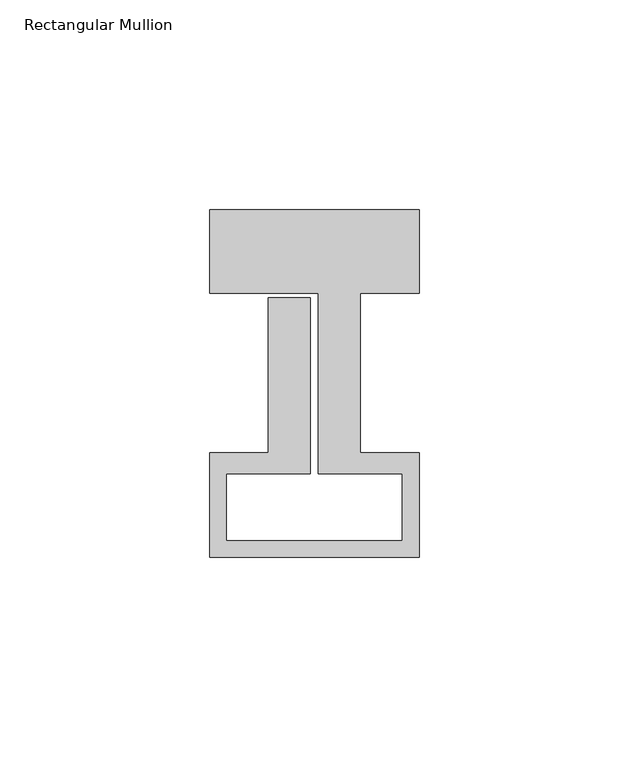
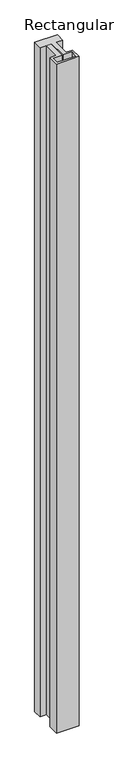
"""IFC4 building model written with IfcOpenShell, lengths in millimetres: member geometry, Rectangular Mullion."""

from ifc_helpers import new_model, si_unit, frame, origin, place, context, project, spatial, polyline, outline, extrude, source, transform, mapped, element, save


def rectangular_mullion_347b797b(model_context):
    return source(origin(), model_context, "Body", "SweptSolid", [
        extrude(outline(polyline([(25.0, 58.0), (25.0, 38.0), (11.0, 38.0), (11.0, -0.1), (25.0, -0.1), (25.0, -25.0), (-25.0, -25.0), (-25.0, -0.1), (-11.0, -0.1), (-11.0, 37.0), (-1.0, 37.0), (-1.0, -5.0), (-21.0, -5.0), (-21.0, -21.0), (21.0, -21.0), (21.0, -5.0), (1.0, -5.0), (1.0, 38.0), (-25.0, 38.0), (-25.0, 58.0), (25.0, 58.0)])), frame((0.0, 0.0, -1560.0), z_axis=(0.0, 0.0, 1.0), x_axis=(1.0, 0.0, 0.0)), (0.0, 0.0, 1.0), 1560.0),
    ])


if __name__ == "__main__":
    model = new_model("IFC4")
    model_context = context("Model", 3, world=origin())
    ifc_project = project(units=[si_unit("LENGTHUNIT", "METRE", prefix="MILLI")], contexts=[model_context])
    site = spatial("IfcSite", under=ifc_project)
    building = spatial("IfcBuilding", under=site)
    placement = place(None, origin())
    rectangular_mullion_shape = rectangular_mullion_347b797b(model_context)
    element("IfcMember", 1, ObjectType="Rectangular Mullion", at=placement, inside=building, context=model_context, shape_type="MappedRepresentation", body=[
        mapped(rectangular_mullion_shape, transform((0.0, 0.0, 0.0), x_axis=(1.0, 0.0, 0.0), y_axis=(0.0, 1.0, 0.0), z_axis=(0.0, 0.0, 1.0))),
    ])
    save(model, "model.ifc")
